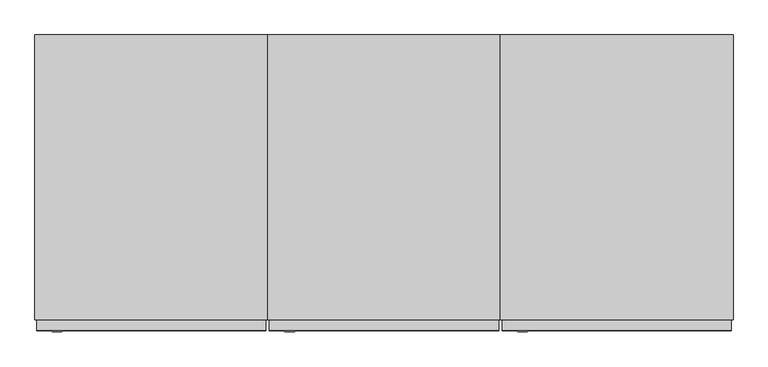
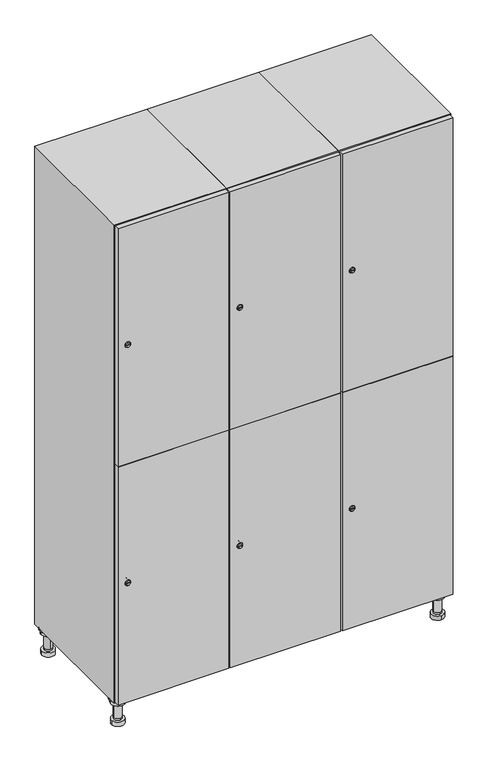
"""IFC4 building model written with IfcOpenShell, lengths in millimetres: furniture geometry."""

from ifc_helpers import new_model, si_unit, point, frame, frame_2d, origin, place, context, project, spatial, polyline, circle_curve, trimmed, segment, composite_curve, outline, extrude, faceted_brep, source, transform, mapped, element, save
from ifc_brep_helpers import plane_surface, cylinder_surface, revolved_surface, advanced_brep


def furniture_a3108553(model_context):
    return source(origin(), model_context, "Body", "SolidModel", [
        advanced_brep(
        [(970.0, -201.0, 22.0), (970.0, -201.5, 16.0), (970.0, -228.5, 16.0), (970.0, -229.0, 22.0), (956.0, -215.0, 22.0), (984.0, -215.0, 22.0), (970.0, -192.5, 16.0), (970.0, -237.5, 16.0), (970.0, -192.5, 0.0), (970.0, -237.5, 0.0), (984.0, -215.0, 78.0), (956.0, -215.0, 78.0), (995.0, -215.0, 78.0), (945.0, -215.0, 78.0), (1000.0, -215.0, 94.0), (940.0, -215.0, 94.0), (945.0, -215.0, 94.0), (995.0, -215.0, 94.0), (1000.0, -215.0, 100.0), (940.0, -215.0, 100.0)],
        [
            (0, 1),
            (1, 2, circle_curve(frame((970.0, -215.0, 16.0), z_axis=(0.0, 0.0, 1.0), x_axis=(0.0, -1.0, 0.0)), 13.5)),
            (2, 3),
            (3, 4, circle_curve(frame((970.0, -215.0, 22.0), z_axis=(0.0, 0.0, -1.0), x_axis=(0.0, -1.0, 0.0)), 14.0)),
            (4, 0, circle_curve(frame((970.0, -215.0, 22.0), z_axis=(0.0, 0.0, -1.0), x_axis=(0.0, -1.0, 0.0)), 14.0)),
            (0, 5, circle_curve(frame((970.0, -215.0, 22.0), z_axis=(0.0, 0.0, -1.0), x_axis=(0.0, 1.0, 0.0)), 14.0)),
            (5, 3, circle_curve(frame((970.0, -215.0, 22.0), z_axis=(0.0, 0.0, -1.0), x_axis=(0.0, 1.0, 0.0)), 14.0)),
            (2, 1, circle_curve(frame((970.0, -215.0, 16.0), z_axis=(0.0, 0.0, 1.0), x_axis=(0.0, 1.0, 0.0)), 13.5)),
            (6, 7, circle_curve(frame((970.0, -215.0, 16.0), z_axis=(0.0, 0.0, 1.0), x_axis=(0.0, -1.0, 0.0)), 22.5)),
            (7, 6, circle_curve(frame((970.0, -215.0, 16.0), z_axis=(0.0, 0.0, 1.0), x_axis=(0.0, -1.0, 0.0)), 22.5)),
            (8, 9, circle_curve(frame((970.0, -215.0, 0.0), z_axis=(0.0, 0.0, -1.0), x_axis=(0.0, -1.0, 0.0)), 22.5)),
            (9, 8, circle_curve(frame((970.0, -215.0, 0.0), z_axis=(0.0, 0.0, -1.0), x_axis=(0.0, -1.0, 0.0)), 22.5)),
            (6, 8),
            (9, 7),
            (5, 10),
            (10, 11, circle_curve(frame((970.0, -215.0, 78.0), z_axis=(0.0, 0.0, -1.0), x_axis=(-1.0, 0.0, 0.0)), 14.0)),
            (11, 4),
            (11, 10, circle_curve(frame((970.0, -215.0, 78.0), z_axis=(0.0, 0.0, -1.0), x_axis=(-1.0, 0.0, 0.0)), 14.0)),
            (12, 13, circle_curve(frame((970.0, -215.0, 78.0), z_axis=(0.0, 0.0, -1.0), x_axis=(-1.0, 0.0, 0.0)), 25.0)),
            (13, 12, circle_curve(frame((970.0, -215.0, 78.0), z_axis=(0.0, 0.0, -1.0), x_axis=(-1.0, 0.0, 0.0)), 25.0)),
            (14, 15, circle_curve(frame((970.0, -215.0, 94.0), z_axis=(0.0, 0.0, -1.0), x_axis=(-1.0, 0.0, 0.0)), 30.0)),
            (15, 14, circle_curve(frame((970.0, -215.0, 94.0), z_axis=(0.0, 0.0, -1.0), x_axis=(-1.0, 0.0, 0.0)), 30.0)),
            (16, 17, circle_curve(frame((970.0, -215.0, 94.0), z_axis=(0.0, 0.0, 1.0), x_axis=(-1.0, 0.0, 0.0)), 25.0)),
            (17, 16, circle_curve(frame((970.0, -215.0, 94.0), z_axis=(0.0, 0.0, 1.0), x_axis=(-1.0, 0.0, 0.0)), 25.0)),
            (18, 19, circle_curve(frame((970.0, -215.0, 100.0), z_axis=(0.0, 0.0, 1.0), x_axis=(-1.0, 0.0, 0.0)), 30.0)),
            (19, 18, circle_curve(frame((970.0, -215.0, 100.0), z_axis=(0.0, 0.0, 1.0), x_axis=(-1.0, 0.0, 0.0)), 30.0)),
            (14, 18),
            (19, 15),
            (12, 17),
            (16, 13),
        ],
        [
            revolved_surface(polyline([(970.0, -201.5, 16.0), (970.0, -201.0, 22.0)]), (970.0, -215.0, -146.0), (0.0, 0.0, 1.0)),
            plane_surface(frame((970.0, 0.0, 16.0), z_axis=(0.0, 0.0, 1.0), x_axis=(0.0, -1.0, 0.0))),
            plane_surface(frame((970.0, 0.0, 0.0), z_axis=(0.0, 0.0, -1.0), x_axis=(0.0, -1.0, 0.0))),
            cylinder_surface(frame((970.0, -215.0, 16.0), z_axis=(0.0, 0.0, 1.0), x_axis=(0.0, -1.0, 0.0)), 22.5),
            cylinder_surface(frame((970.0, -215.0, 22.0), z_axis=(0.0, 0.0, -1.0), x_axis=(-1.0, 0.0, 0.0)), 14.0),
            plane_surface(frame((970.0, 0.0, 78.0), z_axis=(0.0, 0.0, -1.0), x_axis=(0.0, -1.0, 0.0))),
            plane_surface(frame((970.0, 0.0, 94.0), z_axis=(0.0, 0.0, -1.0), x_axis=(0.0, -1.0, 0.0))),
            plane_surface(frame((970.0, 0.0, 100.0), z_axis=(0.0, 0.0, 1.0), x_axis=(0.0, -1.0, 0.0))),
            cylinder_surface(frame((970.0, -215.0, 94.0), z_axis=(0.0, 0.0, -1.0), x_axis=(-1.0, 0.0, 0.0)), 30.0),
            cylinder_surface(frame((970.0, -215.0, 78.0), z_axis=(0.0, 0.0, -1.0), x_axis=(-1.0, 0.0, 0.0)), 25.0),
        ],
        [
            (0, [[1, 2, 3, 4, 5]]),
            (0, [[-1, 6, 7, -3, 8]]),
            (1, [[9, 10], [-2, -8]]),
            (2, [[11, 12]]),
            (3, [[-9, 13, -12, 14]]),
            (3, [[-10, -14, -11, -13]]),
            (4, [[15, 16, 17, -4, -7]]),
            (4, [[-15, -6, -5, -17, 18]]),
            (5, [[19, 20], [-16, -18]]),
            (6, [[21, 22], [23, 24]]),
            (7, [[25, 26]]),
            (8, [[-21, 27, -26, 28]]),
            (8, [[-22, -28, -25, -27]]),
            (9, [[-19, 29, -23, 30]]),
            (9, [[-20, -30, -24, -29]]),
        ],
    ),
        advanced_brep(
        [(-170.0, -201.0, 22.0), (-170.0, -201.5, 16.0), (-170.0, -228.5, 16.0), (-170.0, -229.0, 22.0), (-184.0, -215.0, 22.0), (-156.0, -215.0, 22.0), (-147.5, -215.0, 0.0), (-192.5, -215.0, 0.0), (-147.5, -215.0, 16.0), (-192.5, -215.0, 16.0), (-156.0, -215.0, 78.0), (-184.0, -215.0, 78.0), (-145.0, -215.0, 78.0), (-195.0, -215.0, 78.0), (-140.0, -215.0, 94.0), (-200.0, -215.0, 94.0), (-195.0, -215.0, 94.0), (-145.0, -215.0, 94.0), (-140.0, -215.0, 100.0), (-200.0, -215.0, 100.0)],
        [
            (0, 1),
            (1, 2, circle_curve(frame((-170.0, -215.0, 16.0), z_axis=(0.0, 0.0, 1.0), x_axis=(0.0, -1.0, 0.0)), 13.5)),
            (2, 3),
            (3, 4, circle_curve(frame((-170.0, -215.0, 22.0), z_axis=(0.0, 0.0, -1.0), x_axis=(0.0, -1.0, 0.0)), 14.0)),
            (4, 0, circle_curve(frame((-170.0, -215.0, 22.0), z_axis=(0.0, 0.0, -1.0), x_axis=(0.0, -1.0, 0.0)), 14.0)),
            (0, 5, circle_curve(frame((-170.0, -215.0, 22.0), z_axis=(0.0, 0.0, -1.0), x_axis=(0.0, 1.0, 0.0)), 14.0)),
            (5, 3, circle_curve(frame((-170.0, -215.0, 22.0), z_axis=(0.0, 0.0, -1.0), x_axis=(0.0, 1.0, 0.0)), 14.0)),
            (2, 1, circle_curve(frame((-170.0, -215.0, 16.0), z_axis=(0.0, 0.0, 1.0), x_axis=(0.0, 1.0, 0.0)), 13.5)),
            (6, 7, circle_curve(frame((-170.0, -215.0, 0.0), z_axis=(0.0, 0.0, -1.0), x_axis=(-1.0, 0.0, 0.0)), 22.5)),
            (7, 6, circle_curve(frame((-170.0, -215.0, 0.0), z_axis=(0.0, 0.0, -1.0), x_axis=(-1.0, 0.0, 0.0)), 22.5)),
            (8, 9, circle_curve(frame((-170.0, -215.0, 16.0), z_axis=(0.0, 0.0, 1.0), x_axis=(-1.0, 0.0, 0.0)), 22.5)),
            (9, 8, circle_curve(frame((-170.0, -215.0, 16.0), z_axis=(0.0, 0.0, 1.0), x_axis=(-1.0, 0.0, 0.0)), 22.5)),
            (6, 8),
            (9, 7),
            (5, 10),
            (10, 11, circle_curve(frame((-170.0, -215.0, 78.0), z_axis=(0.0, 0.0, -1.0), x_axis=(-1.0, 0.0, 0.0)), 14.0)),
            (11, 4),
            (11, 10, circle_curve(frame((-170.0, -215.0, 78.0), z_axis=(0.0, 0.0, -1.0), x_axis=(-1.0, 0.0, 0.0)), 14.0)),
            (12, 13, circle_curve(frame((-170.0, -215.0, 78.0), z_axis=(0.0, 0.0, -1.0), x_axis=(-1.0, 0.0, 0.0)), 25.0)),
            (13, 12, circle_curve(frame((-170.0, -215.0, 78.0), z_axis=(0.0, 0.0, -1.0), x_axis=(-1.0, 0.0, 0.0)), 25.0)),
            (14, 15, circle_curve(frame((-170.0, -215.0, 94.0), z_axis=(0.0, 0.0, -1.0), x_axis=(-1.0, 0.0, 0.0)), 30.0)),
            (15, 14, circle_curve(frame((-170.0, -215.0, 94.0), z_axis=(0.0, 0.0, -1.0), x_axis=(-1.0, 0.0, 0.0)), 30.0)),
            (16, 17, circle_curve(frame((-170.0, -215.0, 94.0), z_axis=(0.0, 0.0, 1.0), x_axis=(-1.0, 0.0, 0.0)), 25.0)),
            (17, 16, circle_curve(frame((-170.0, -215.0, 94.0), z_axis=(0.0, 0.0, 1.0), x_axis=(-1.0, 0.0, 0.0)), 25.0)),
            (18, 19, circle_curve(frame((-170.0, -215.0, 100.0), z_axis=(0.0, 0.0, 1.0), x_axis=(-1.0, 0.0, 0.0)), 30.0)),
            (19, 18, circle_curve(frame((-170.0, -215.0, 100.0), z_axis=(0.0, 0.0, 1.0), x_axis=(-1.0, 0.0, 0.0)), 30.0)),
            (14, 18),
            (19, 15),
            (12, 17),
            (16, 13),
        ],
        [
            revolved_surface(polyline([(-170.0, -201.5, 16.0), (-170.0, -201.0, 22.0)]), (-170.0, -215.0, -146.0), (0.0, 0.0, 1.0)),
            plane_surface(frame((-170.0, 0.0, 0.0), z_axis=(0.0, 0.0, -1.0), x_axis=(0.0, -1.0, 0.0))),
            plane_surface(frame((-170.0, 0.0, 16.0), z_axis=(0.0, 0.0, 1.0), x_axis=(0.0, -1.0, 0.0))),
            cylinder_surface(frame((-170.0, -215.0, 0.0), z_axis=(0.0, 0.0, -1.0), x_axis=(-1.0, 0.0, 0.0)), 22.5),
            cylinder_surface(frame((-170.0, -215.0, 22.0), z_axis=(0.0, 0.0, -1.0), x_axis=(-1.0, 0.0, 0.0)), 14.0),
            plane_surface(frame((-170.0, 0.0, 78.0), z_axis=(0.0, 0.0, -1.0), x_axis=(0.0, -1.0, 0.0))),
            plane_surface(frame((-170.0, 0.0, 94.0), z_axis=(0.0, 0.0, -1.0), x_axis=(0.0, -1.0, 0.0))),
            plane_surface(frame((-170.0, 0.0, 100.0), z_axis=(0.0, 0.0, 1.0), x_axis=(0.0, -1.0, 0.0))),
            cylinder_surface(frame((-170.0, -215.0, 94.0), z_axis=(0.0, 0.0, -1.0), x_axis=(-1.0, 0.0, 0.0)), 30.0),
            cylinder_surface(frame((-170.0, -215.0, 78.0), z_axis=(0.0, 0.0, -1.0), x_axis=(-1.0, 0.0, 0.0)), 25.0),
        ],
        [
            (0, [[1, 2, 3, 4, 5]]),
            (0, [[-1, 6, 7, -3, 8]]),
            (1, [[9, 10]]),
            (2, [[11, 12], [-2, -8]]),
            (3, [[-9, 13, -12, 14]]),
            (3, [[-10, -14, -11, -13]]),
            (4, [[15, 16, 17, -4, -7]]),
            (4, [[-15, -6, -5, -17, 18]]),
            (5, [[19, 20], [-16, -18]]),
            (6, [[21, 22], [23, 24]]),
            (7, [[25, 26]]),
            (8, [[-21, 27, -26, 28]]),
            (8, [[-22, -28, -25, -27]]),
            (9, [[-19, 29, -23, 30]]),
            (9, [[-20, -30, -24, -29]]),
        ],
    ),
        advanced_brep(
        [(983.5, 215.0, 16.0), (984.0, 215.0, 22.0), (956.0, 215.0, 22.0), (956.5, 215.0, 16.0), (992.5, 215.0, 0.0), (947.5, 215.0, 0.0), (992.5, 215.0, 16.0), (947.5, 215.0, 16.0), (984.0, 215.0, 78.0), (956.0, 215.0, 78.0), (995.0, 215.0, 78.0), (945.0, 215.0, 78.0), (1000.0, 215.0, 94.0), (940.0, 215.0, 94.0), (945.0, 215.0, 94.0), (995.0, 215.0, 94.0), (1000.0, 215.0, 100.0), (940.0, 215.0, 100.0)],
        [
            (0, 1),
            (1, 2, circle_curve(frame((970.0, 215.0, 22.0), z_axis=(0.0, 0.0, -1.0), x_axis=(-1.0, 0.0, 0.0)), 14.0)),
            (2, 3),
            (3, 0, circle_curve(frame((970.0, 215.0, 16.0), z_axis=(0.0, 0.0, 1.0), x_axis=(-1.0, 0.0, 0.0)), 13.5)),
            (0, 3, circle_curve(frame((970.0, 215.0, 16.0), z_axis=(0.0, 0.0, 1.0), x_axis=(1.0, 0.0, 0.0)), 13.5)),
            (2, 1, circle_curve(frame((970.0, 215.0, 22.0), z_axis=(0.0, 0.0, -1.0), x_axis=(1.0, 0.0, 0.0)), 14.0)),
            (4, 5, circle_curve(frame((970.0, 215.0, 0.0), z_axis=(0.0, 0.0, -1.0), x_axis=(-1.0, 0.0, 0.0)), 22.5)),
            (5, 4, circle_curve(frame((970.0, 215.0, 0.0), z_axis=(0.0, 0.0, -1.0), x_axis=(-1.0, 0.0, 0.0)), 22.5)),
            (6, 7, circle_curve(frame((970.0, 215.0, 16.0), z_axis=(0.0, 0.0, 1.0), x_axis=(-1.0, 0.0, 0.0)), 22.5)),
            (7, 6, circle_curve(frame((970.0, 215.0, 16.0), z_axis=(0.0, 0.0, 1.0), x_axis=(-1.0, 0.0, 0.0)), 22.5)),
            (4, 6),
            (7, 5),
            (1, 8),
            (8, 9, circle_curve(frame((970.0, 215.0, 78.0), z_axis=(0.0, 0.0, -1.0), x_axis=(-1.0, 0.0, 0.0)), 14.0)),
            (9, 2),
            (9, 8, circle_curve(frame((970.0, 215.0, 78.0), z_axis=(0.0, 0.0, -1.0), x_axis=(-1.0, 0.0, 0.0)), 14.0)),
            (10, 11, circle_curve(frame((970.0, 215.0, 78.0), z_axis=(0.0, 0.0, -1.0), x_axis=(-1.0, 0.0, 0.0)), 25.0)),
            (11, 10, circle_curve(frame((970.0, 215.0, 78.0), z_axis=(0.0, 0.0, -1.0), x_axis=(-1.0, 0.0, 0.0)), 25.0)),
            (12, 13, circle_curve(frame((970.0, 215.0, 94.0), z_axis=(0.0, 0.0, -1.0), x_axis=(-1.0, 0.0, 0.0)), 30.0)),
            (13, 12, circle_curve(frame((970.0, 215.0, 94.0), z_axis=(0.0, 0.0, -1.0), x_axis=(-1.0, 0.0, 0.0)), 30.0)),
            (14, 15, circle_curve(frame((970.0, 215.0, 94.0), z_axis=(0.0, 0.0, 1.0), x_axis=(-1.0, 0.0, 0.0)), 25.0)),
            (15, 14, circle_curve(frame((970.0, 215.0, 94.0), z_axis=(0.0, 0.0, 1.0), x_axis=(-1.0, 0.0, 0.0)), 25.0)),
            (16, 17, circle_curve(frame((970.0, 215.0, 100.0), z_axis=(0.0, 0.0, 1.0), x_axis=(-1.0, 0.0, 0.0)), 30.0)),
            (17, 16, circle_curve(frame((970.0, 215.0, 100.0), z_axis=(0.0, 0.0, 1.0), x_axis=(-1.0, 0.0, 0.0)), 30.0)),
            (12, 16),
            (17, 13),
            (10, 15),
            (14, 11),
        ],
        [
            revolved_surface(polyline([(983.5, 215.0, 16.0), (984.0, 215.0, 22.0)]), (970.0, 215.0, -146.0), (0.0, 0.0, 1.0)),
            plane_surface(frame((970.0, 0.0, 0.0), z_axis=(0.0, 0.0, -1.0), x_axis=(0.0, -1.0, 0.0))),
            plane_surface(frame((970.0, 0.0, 16.0), z_axis=(0.0, 0.0, 1.0), x_axis=(0.0, -1.0, 0.0))),
            cylinder_surface(frame((970.0, 215.0, 0.0), z_axis=(0.0, 0.0, -1.0), x_axis=(-1.0, 0.0, 0.0)), 22.5),
            cylinder_surface(frame((970.0, 215.0, 22.0), z_axis=(0.0, 0.0, -1.0), x_axis=(-1.0, 0.0, 0.0)), 14.0),
            plane_surface(frame((970.0, 0.0, 78.0), z_axis=(0.0, 0.0, -1.0), x_axis=(0.0, -1.0, 0.0))),
            plane_surface(frame((970.0, 0.0, 94.0), z_axis=(0.0, 0.0, -1.0), x_axis=(0.0, -1.0, 0.0))),
            plane_surface(frame((970.0, 0.0, 100.0), z_axis=(0.0, 0.0, 1.0), x_axis=(0.0, -1.0, 0.0))),
            cylinder_surface(frame((970.0, 215.0, 94.0), z_axis=(0.0, 0.0, -1.0), x_axis=(-1.0, 0.0, 0.0)), 30.0),
            cylinder_surface(frame((970.0, 215.0, 78.0), z_axis=(0.0, 0.0, -1.0), x_axis=(-1.0, 0.0, 0.0)), 25.0),
        ],
        [
            (0, [[1, 2, 3, 4]]),
            (0, [[-1, 5, -3, 6]]),
            (1, [[7, 8]]),
            (2, [[9, 10], [-4, -5]]),
            (3, [[-7, 11, -10, 12]]),
            (3, [[-8, -12, -9, -11]]),
            (4, [[13, 14, 15, -2]]),
            (4, [[-13, -6, -15, 16]]),
            (5, [[17, 18], [-14, -16]]),
            (6, [[19, 20], [21, 22]]),
            (7, [[23, 24]]),
            (8, [[-19, 25, -24, 26]]),
            (8, [[-20, -26, -23, -25]]),
            (9, [[-17, 27, -21, 28]]),
            (9, [[-18, -28, -22, -27]]),
        ],
    ),
        advanced_brep(
        [(-156.5, 215.0, 16.0), (-156.0, 215.0, 22.0), (-170.0, 201.0, 22.0), (-184.0, 215.0, 22.0), (-183.5, 215.0, 16.0), (-170.0, 229.0, 22.0), (-147.5, 215.0, 0.0), (-192.5, 215.0, 0.0), (-147.5, 215.0, 16.0), (-192.5, 215.0, 16.0), (-170.0, 229.0, 78.0), (-170.0, 201.0, 78.0), (-145.0, 215.0, 78.0), (-195.0, 215.0, 78.0), (-140.0, 215.0, 94.0), (-200.0, 215.0, 94.0), (-195.0, 215.0, 94.0), (-145.0, 215.0, 94.0), (-140.0, 215.0, 100.0), (-200.0, 215.0, 100.0)],
        [
            (0, 1),
            (1, 2, circle_curve(frame((-170.0, 215.0, 22.0), z_axis=(0.0, 0.0, -1.0), x_axis=(-1.0, 0.0, 0.0)), 14.0)),
            (2, 3, circle_curve(frame((-170.0, 215.0, 22.0), z_axis=(0.0, 0.0, -1.0), x_axis=(-1.0, 0.0, 0.0)), 14.0)),
            (3, 4),
            (4, 0, circle_curve(frame((-170.0, 215.0, 16.0), z_axis=(0.0, 0.0, 1.0), x_axis=(-1.0, 0.0, 0.0)), 13.5)),
            (0, 4, circle_curve(frame((-170.0, 215.0, 16.0), z_axis=(0.0, 0.0, 1.0), x_axis=(1.0, 0.0, 0.0)), 13.5)),
            (3, 5, circle_curve(frame((-170.0, 215.0, 22.0), z_axis=(0.0, 0.0, -1.0), x_axis=(1.0, 0.0, 0.0)), 14.0)),
            (5, 1, circle_curve(frame((-170.0, 215.0, 22.0), z_axis=(0.0, 0.0, -1.0), x_axis=(1.0, 0.0, 0.0)), 14.0)),
            (6, 7, circle_curve(frame((-170.0, 215.0, 0.0), z_axis=(0.0, 0.0, -1.0), x_axis=(-1.0, 0.0, 0.0)), 22.5)),
            (7, 6, circle_curve(frame((-170.0, 215.0, 0.0), z_axis=(0.0, 0.0, -1.0), x_axis=(-1.0, 0.0, 0.0)), 22.5)),
            (8, 9, circle_curve(frame((-170.0, 215.0, 16.0), z_axis=(0.0, 0.0, 1.0), x_axis=(-1.0, 0.0, 0.0)), 22.5)),
            (9, 8, circle_curve(frame((-170.0, 215.0, 16.0), z_axis=(0.0, 0.0, 1.0), x_axis=(-1.0, 0.0, 0.0)), 22.5)),
            (6, 8),
            (9, 7),
            (10, 5),
            (2, 11),
            (11, 10, circle_curve(frame((-170.0, 215.0, 78.0), z_axis=(0.0, 0.0, -1.0), x_axis=(0.0, -1.0, 0.0)), 14.0)),
            (10, 11, circle_curve(frame((-170.0, 215.0, 78.0), z_axis=(0.0, 0.0, -1.0), x_axis=(0.0, -1.0, 0.0)), 14.0)),
            (12, 13, circle_curve(frame((-170.0, 215.0, 78.0), z_axis=(0.0, 0.0, -1.0), x_axis=(-1.0, 0.0, 0.0)), 25.0)),
            (13, 12, circle_curve(frame((-170.0, 215.0, 78.0), z_axis=(0.0, 0.0, -1.0), x_axis=(-1.0, 0.0, 0.0)), 25.0)),
            (14, 15, circle_curve(frame((-170.0, 215.0, 94.0), z_axis=(0.0, 0.0, -1.0), x_axis=(-1.0, 0.0, 0.0)), 30.0)),
            (15, 14, circle_curve(frame((-170.0, 215.0, 94.0), z_axis=(0.0, 0.0, -1.0), x_axis=(-1.0, 0.0, 0.0)), 30.0)),
            (16, 17, circle_curve(frame((-170.0, 215.0, 94.0), z_axis=(0.0, 0.0, 1.0), x_axis=(-1.0, 0.0, 0.0)), 25.0)),
            (17, 16, circle_curve(frame((-170.0, 215.0, 94.0), z_axis=(0.0, 0.0, 1.0), x_axis=(-1.0, 0.0, 0.0)), 25.0)),
            (18, 19, circle_curve(frame((-170.0, 215.0, 100.0), z_axis=(0.0, 0.0, 1.0), x_axis=(-1.0, 0.0, 0.0)), 30.0)),
            (19, 18, circle_curve(frame((-170.0, 215.0, 100.0), z_axis=(0.0, 0.0, 1.0), x_axis=(-1.0, 0.0, 0.0)), 30.0)),
            (14, 18),
            (19, 15),
            (12, 17),
            (16, 13),
        ],
        [
            revolved_surface(polyline([(-156.5, 215.0, 16.0), (-156.0, 215.0, 22.0)]), (-170.0, 215.0, -146.0), (0.0, 0.0, 1.0)),
            plane_surface(frame((-170.0, 0.0, 0.0), z_axis=(0.0, 0.0, -1.0), x_axis=(0.0, -1.0, 0.0))),
            plane_surface(frame((-170.0, 0.0, 16.0), z_axis=(0.0, 0.0, 1.0), x_axis=(0.0, -1.0, 0.0))),
            cylinder_surface(frame((-170.0, 215.0, 0.0), z_axis=(0.0, 0.0, -1.0), x_axis=(-1.0, 0.0, 0.0)), 22.5),
            cylinder_surface(frame((-170.0, 215.0, 78.0), z_axis=(0.0, 0.0, 1.0), x_axis=(0.0, -1.0, 0.0)), 14.0),
            plane_surface(frame((-170.0, 0.0, 78.0), z_axis=(0.0, 0.0, -1.0), x_axis=(0.0, -1.0, 0.0))),
            plane_surface(frame((-170.0, 0.0, 94.0), z_axis=(0.0, 0.0, -1.0), x_axis=(0.0, -1.0, 0.0))),
            plane_surface(frame((-170.0, 0.0, 100.0), z_axis=(0.0, 0.0, 1.0), x_axis=(0.0, -1.0, 0.0))),
            cylinder_surface(frame((-170.0, 215.0, 94.0), z_axis=(0.0, 0.0, -1.0), x_axis=(-1.0, 0.0, 0.0)), 30.0),
            cylinder_surface(frame((-170.0, 215.0, 78.0), z_axis=(0.0, 0.0, -1.0), x_axis=(-1.0, 0.0, 0.0)), 25.0),
        ],
        [
            (0, [[1, 2, 3, 4, 5]]),
            (0, [[-1, 6, -4, 7, 8]]),
            (1, [[9, 10]]),
            (2, [[11, 12], [-5, -6]]),
            (3, [[-9, 13, -12, 14]]),
            (3, [[-10, -14, -11, -13]]),
            (4, [[15, -7, -3, 16, 17]]),
            (4, [[-15, 18, -16, -2, -8]]),
            (5, [[19, 20], [-17, -18]]),
            (6, [[21, 22], [23, 24]]),
            (7, [[25, 26]]),
            (8, [[-21, 27, -26, 28]]),
            (8, [[-22, -28, -25, -27]]),
            (9, [[-19, 29, -23, 30]]),
            (9, [[-20, -30, -24, -29]]),
        ],
    ),
        extrude(outline(composite_curve([segment(trimmed(circle_curve(frame_2d((551.5, 611.2010534)), 7.0), [point((558.5, 611.2010534))], [point((544.5, 611.2010534))], False, "CARTESIAN"), True, "CONTINUOUS"), segment(polyline([(544.5, 611.2010534), (544.5, 639.2010534)]), True, "CONTINUOUS"), segment(trimmed(circle_curve(frame_2d((551.5, 639.2010534)), 7.0), [point((544.5, 639.2010534))], [point((558.5, 639.2010534))], False, "CARTESIAN"), True, "CONTINUOUS"), segment(polyline([(558.5, 639.2010534), (558.5, 611.2010534)]), True, "CONTINUOUS")], self_intersect=False)), frame((0.0, -245.0, 0.0), z_axis=(0.0, 1.0, 0.0), x_axis=(0.0, 0.0, 1.0)), (0.0, 0.0, 1.0), 2.0),
        advanced_brep(
        [(646.5, -265.2, 551.5), (629.5, -265.2, 551.5), (633.0, -265.2, 550.25), (633.0, -265.2, 552.75), (643.0, -265.2, 552.75), (643.0, -265.2, 550.25), (648.5, -263.0, 551.5), (627.5, -263.0, 551.5), (633.0, -263.0, 552.75), (633.0, -263.0, 550.25), (643.0, -263.0, 550.25), (643.0, -263.0, 552.75)],
        [
            (0, 1, circle_curve(frame((638.0, -265.2, 551.5), z_axis=(0.0, -1.0, 0.0), x_axis=(1.0, 0.0, 0.0)), 8.5)),
            (1, 0, circle_curve(frame((638.0, -265.2, 551.5), z_axis=(0.0, -1.0, 0.0), x_axis=(-1.0, 0.0, 0.0)), 8.5)),
            (2, 3),
            (3, 4),
            (4, 5),
            (5, 2),
            (6, 7, circle_curve(frame((638.0, -263.0, 551.5), z_axis=(0.0, 1.0, 0.0), x_axis=(-1.0, 0.0, 0.0)), 10.5)),
            (7, 6, circle_curve(frame((638.0, -263.0, 551.5), z_axis=(0.0, 1.0, 0.0), x_axis=(1.0, 0.0, 0.0)), 10.5)),
            (8, 9),
            (9, 10),
            (10, 11),
            (11, 8),
            (0, 6),
            (7, 1),
            (8, 3),
            (2, 9),
            (11, 4),
            (10, 5),
        ],
        [
            plane_surface(frame((638.0, -265.2, 551.5), z_axis=(0.0, -1.0, 0.0), x_axis=(0.0, 0.0, 1.0))),
            plane_surface(frame((638.0, -263.0, 551.5), z_axis=(0.0, 1.0, 0.0), x_axis=(0.0, 0.0, 1.0))),
            revolved_surface(polyline([(646.5, -265.2, 551.5), (648.5, -263.0, 551.5)]), (638.0, -274.55, 551.5), (0.0, 1.0, 0.0)),
            revolved_surface(polyline([(629.5, -265.2, 551.5), (627.5, -263.0, 551.5)]), (638.0, -274.55, 551.5), (0.0, 1.0, 0.0)),
            plane_surface(frame((633.0, -263.0, 550.25), z_axis=(1.0, 0.0, 0.0), x_axis=(0.0, -1.0, 0.0))),
            plane_surface(frame((633.0, -263.0, 552.75), z_axis=(0.0, 0.0, -1.0), x_axis=(0.0, -1.0, 0.0))),
            plane_surface(frame((643.0, -263.0, 552.75), z_axis=(-1.0, 0.0, 0.0), x_axis=(0.0, -1.0, 0.0))),
            plane_surface(frame((643.0, -263.0, 550.25), z_axis=(0.0, 0.0, 1.0), x_axis=(0.0, -1.0, 0.0))),
        ],
        [
            (0, [[1, 2], [3, 4, 5, 6]]),
            (1, [[7, 8], [9, 10, 11, 12]]),
            (2, [[-1, 13, -8, 14]]),
            (3, [[-2, -14, -7, -13]]),
            (4, [[15, -3, 16, -9]]),
            (5, [[-15, -12, 17, -4]]),
            (6, [[-17, -11, 18, -5]]),
            (7, [[-16, -6, -18, -10]]),
        ],
    ),
        extrude(outline(composite_curve([segment(trimmed(circle_curve(frame_2d((1448.5, 611.2010534)), 7.0), [point((1455.5, 611.2010534))], [point((1441.5, 611.2010534))], False, "CARTESIAN"), True, "CONTINUOUS"), segment(polyline([(1441.5, 611.2010534), (1441.5, 639.2010534)]), True, "CONTINUOUS"), segment(trimmed(circle_curve(frame_2d((1448.5, 639.2010534)), 7.0), [point((1441.5, 639.2010534))], [point((1455.5, 639.2010534))], False, "CARTESIAN"), True, "CONTINUOUS"), segment(polyline([(1455.5, 639.2010534), (1455.5, 611.2010534)]), True, "CONTINUOUS")], self_intersect=False)), frame((0.0, -245.0, 0.0), z_axis=(0.0, 1.0, 0.0), x_axis=(0.0, 0.0, 1.0)), (0.0, 0.0, 1.0), 2.0),
        advanced_brep(
        [(646.5, -265.2, 1448.5), (629.5, -265.2, 1448.5), (633.0, -265.2, 1447.25), (633.0, -265.2, 1449.75), (643.0, -265.2, 1449.75), (643.0, -265.2, 1447.25), (648.5, -263.0, 1448.5), (627.5, -263.0, 1448.5), (633.0, -263.0, 1449.75), (633.0, -263.0, 1447.25), (643.0, -263.0, 1447.25), (643.0, -263.0, 1449.75)],
        [
            (0, 1, circle_curve(frame((638.0, -265.2, 1448.5), z_axis=(0.0, -1.0, 0.0), x_axis=(1.0, 0.0, 0.0)), 8.5)),
            (1, 0, circle_curve(frame((638.0, -265.2, 1448.5), z_axis=(0.0, -1.0, 0.0), x_axis=(-1.0, 0.0, 0.0)), 8.5)),
            (2, 3),
            (3, 4),
            (4, 5),
            (5, 2),
            (6, 7, circle_curve(frame((638.0, -263.0, 1448.5), z_axis=(0.0, 1.0, 0.0), x_axis=(-1.0, 0.0, 0.0)), 10.5)),
            (7, 6, circle_curve(frame((638.0, -263.0, 1448.5), z_axis=(0.0, 1.0, 0.0), x_axis=(1.0, 0.0, 0.0)), 10.5)),
            (8, 9),
            (9, 10),
            (10, 11),
            (11, 8),
            (0, 6),
            (7, 1),
            (8, 3),
            (2, 9),
            (11, 4),
            (10, 5),
        ],
        [
            plane_surface(frame((638.0, -265.2, 1448.5), z_axis=(0.0, -1.0, 0.0), x_axis=(0.0, 0.0, 1.0))),
            plane_surface(frame((638.0, -263.0, 1448.5), z_axis=(0.0, 1.0, 0.0), x_axis=(0.0, 0.0, 1.0))),
            revolved_surface(polyline([(646.5, -265.2, 1448.5), (648.5, -263.0, 1448.5)]), (638.0, -274.55, 1448.5), (0.0, 1.0, 0.0)),
            revolved_surface(polyline([(629.5, -265.2, 1448.5), (627.5, -263.0, 1448.5)]), (638.0, -274.55, 1448.5), (0.0, 1.0, 0.0)),
            plane_surface(frame((633.0, -263.0, 1447.25), z_axis=(1.0, 0.0, 0.0), x_axis=(0.0, -1.0, 0.0))),
            plane_surface(frame((633.0, -263.0, 1449.75), z_axis=(0.0, 0.0, -1.0), x_axis=(0.0, -1.0, 0.0))),
            plane_surface(frame((643.0, -263.0, 1449.75), z_axis=(-1.0, 0.0, 0.0), x_axis=(0.0, -1.0, 0.0))),
            plane_surface(frame((643.0, -263.0, 1447.25), z_axis=(0.0, 0.0, 1.0), x_axis=(0.0, -1.0, 0.0))),
        ],
        [
            (0, [[1, 2], [3, 4, 5, 6]]),
            (1, [[7, 8], [9, 10, 11, 12]]),
            (2, [[-1, 13, -8, 14]]),
            (3, [[-2, -14, -7, -13]]),
            (4, [[15, -3, 16, -9]]),
            (5, [[-15, -12, 17, -4]]),
            (6, [[-17, -11, 18, -5]]),
            (7, [[-16, -6, -18, -10]]),
        ],
    ),
        extrude(outline(polyline([(603.0, -263.0), (603.0, -245.0), (997.0, -245.0), (997.0, -263.0), (603.0, -263.0)])), frame((0.0, 0.0, 103.0), z_axis=(0.0, 0.0, 1.0), x_axis=(1.0, 0.0, 0.0)), (0.0, 0.0, 1.0), 896.5),
        extrude(outline(polyline([(997.0, -245.0), (997.0, -263.0), (603.0, -263.0), (603.0, -245.0), (997.0, -245.0)])), frame((0.0, 0.0, 1000.5), z_axis=(0.0, 0.0, 1.0), x_axis=(1.0, 0.0, 0.0)), (0.0, 0.0, 1.0), 896.5),
        extrude(outline(polyline([(982.0, 227.0), (982.0, -227.0), (618.0, -227.0), (618.0, 227.0), (982.0, 227.0)])), frame((0.0, 0.0, 991.0), z_axis=(0.0, 0.0, 1.0), x_axis=(1.0, 0.0, 0.0)), (0.0, 0.0, 1.0), 18.0),
        faceted_brep([(1000.0, -245.0, 100.0), (1000.0, -245.0, 1900.0), (600.0, -245.0, 1900.0), (600.0, -245.0, 100.0), (982.0, -245.0, 1882.0), (982.0, -245.0, 118.0), (618.0, -245.0, 118.0), (618.0, -245.0, 1882.0), (1000.0, 245.0, 100.0), (600.0, 245.0, 100.0), (1000.0, 245.0, 1900.0), (600.0, 245.0, 1900.0), (982.0, 227.0, 1882.0), (982.0, 227.0, 118.0), (600.0, 245.0, 1882.0), (618.0, 227.0, 1882.0), (618.0, 227.0, 118.0)], [[[0, 1, 2, 3], [4, 5, 6, 7]], [[8, 0, 3, 9]], [[1, 0, 8, 10]], [[1, 10, 11, 2]], [[4, 12, 13, 5]], [[9, 3, 2, 11, 14]], [[10, 8, 9, 14, 11]], [[12, 15, 16, 13]], [[15, 7, 6, 16]], [[4, 7, 15, 12]], [[6, 5, 13, 16]]]),
        extrude(outline(composite_curve([segment(trimmed(circle_curve(frame_2d((551.5, 211.2010534)), 7.0), [point((558.5, 211.2010534))], [point((544.5, 211.2010534))], False, "CARTESIAN"), True, "CONTINUOUS"), segment(polyline([(544.5, 211.2010534), (544.5, 239.2010534)]), True, "CONTINUOUS"), segment(trimmed(circle_curve(frame_2d((551.5, 239.2010534)), 7.0), [point((544.5, 239.2010534))], [point((558.5, 239.2010534))], False, "CARTESIAN"), True, "CONTINUOUS"), segment(polyline([(558.5, 239.2010534), (558.5, 211.2010534)]), True, "CONTINUOUS")], self_intersect=False)), frame((0.0, -245.0, 0.0), z_axis=(0.0, 1.0, 0.0), x_axis=(0.0, 0.0, 1.0)), (0.0, 0.0, 1.0), 2.0),
        advanced_brep(
        [(246.5, -265.2, 551.5), (229.5, -265.2, 551.5), (233.0, -265.2, 550.25), (233.0, -265.2, 552.75), (243.0, -265.2, 552.75), (243.0, -265.2, 550.25), (248.5, -263.0, 551.5), (227.5, -263.0, 551.5), (233.0, -263.0, 552.75), (233.0, -263.0, 550.25), (243.0, -263.0, 550.25), (243.0, -263.0, 552.75)],
        [
            (0, 1, circle_curve(frame((238.0, -265.2, 551.5), z_axis=(0.0, -1.0, 0.0), x_axis=(1.0, 0.0, 0.0)), 8.5)),
            (1, 0, circle_curve(frame((238.0, -265.2, 551.5), z_axis=(0.0, -1.0, 0.0), x_axis=(-1.0, 0.0, 0.0)), 8.5)),
            (2, 3),
            (3, 4),
            (4, 5),
            (5, 2),
            (6, 7, circle_curve(frame((238.0, -263.0, 551.5), z_axis=(0.0, 1.0, 0.0), x_axis=(-1.0, 0.0, 0.0)), 10.5)),
            (7, 6, circle_curve(frame((238.0, -263.0, 551.5), z_axis=(0.0, 1.0, 0.0), x_axis=(1.0, 0.0, 0.0)), 10.5)),
            (8, 9),
            (9, 10),
            (10, 11),
            (11, 8),
            (0, 6),
            (7, 1),
            (8, 3),
            (2, 9),
            (11, 4),
            (10, 5),
        ],
        [
            plane_surface(frame((238.0, -265.2, 551.5), z_axis=(0.0, -1.0, 0.0), x_axis=(0.0, 0.0, 1.0))),
            plane_surface(frame((238.0, -263.0, 551.5), z_axis=(0.0, 1.0, 0.0), x_axis=(0.0, 0.0, 1.0))),
            revolved_surface(polyline([(246.5, -265.2, 551.5), (248.5, -263.0, 551.5)]), (238.0, -274.55, 551.5), (0.0, 1.0, 0.0)),
            revolved_surface(polyline([(229.5, -265.2, 551.5), (227.5, -263.0, 551.5)]), (238.0, -274.55, 551.5), (0.0, 1.0, 0.0)),
            plane_surface(frame((233.0, -263.0, 550.25), z_axis=(1.0, 0.0, 0.0), x_axis=(0.0, -1.0, 0.0))),
            plane_surface(frame((233.0, -263.0, 552.75), z_axis=(0.0, 0.0, -1.0), x_axis=(0.0, -1.0, 0.0))),
            plane_surface(frame((243.0, -263.0, 552.75), z_axis=(-1.0, 0.0, 0.0), x_axis=(0.0, -1.0, 0.0))),
            plane_surface(frame((243.0, -263.0, 550.25), z_axis=(0.0, 0.0, 1.0), x_axis=(0.0, -1.0, 0.0))),
        ],
        [
            (0, [[1, 2], [3, 4, 5, 6]]),
            (1, [[7, 8], [9, 10, 11, 12]]),
            (2, [[-1, 13, -8, 14]]),
            (3, [[-2, -14, -7, -13]]),
            (4, [[15, -3, 16, -9]]),
            (5, [[-15, -12, 17, -4]]),
            (6, [[-17, -11, 18, -5]]),
            (7, [[-16, -6, -18, -10]]),
        ],
    ),
        extrude(outline(composite_curve([segment(trimmed(circle_curve(frame_2d((1448.5, 211.2010534)), 7.0), [point((1455.5, 211.2010534))], [point((1441.5, 211.2010534))], False, "CARTESIAN"), True, "CONTINUOUS"), segment(polyline([(1441.5, 211.2010534), (1441.5, 239.2010534)]), True, "CONTINUOUS"), segment(trimmed(circle_curve(frame_2d((1448.5, 239.2010534)), 7.0), [point((1441.5, 239.2010534))], [point((1455.5, 239.2010534))], False, "CARTESIAN"), True, "CONTINUOUS"), segment(polyline([(1455.5, 239.2010534), (1455.5, 211.2010534)]), True, "CONTINUOUS")], self_intersect=False)), frame((0.0, -245.0, 0.0), z_axis=(0.0, 1.0, 0.0), x_axis=(0.0, 0.0, 1.0)), (0.0, 0.0, 1.0), 2.0),
        advanced_brep(
        [(246.5, -265.2, 1448.5), (229.5, -265.2, 1448.5), (233.0, -265.2, 1447.25), (233.0, -265.2, 1449.75), (243.0, -265.2, 1449.75), (243.0, -265.2, 1447.25), (248.5, -263.0, 1448.5), (227.5, -263.0, 1448.5), (233.0, -263.0, 1449.75), (233.0, -263.0, 1447.25), (243.0, -263.0, 1447.25), (243.0, -263.0, 1449.75)],
        [
            (0, 1, circle_curve(frame((238.0, -265.2, 1448.5), z_axis=(0.0, -1.0, 0.0), x_axis=(1.0, 0.0, 0.0)), 8.5)),
            (1, 0, circle_curve(frame((238.0, -265.2, 1448.5), z_axis=(0.0, -1.0, 0.0), x_axis=(-1.0, 0.0, 0.0)), 8.5)),
            (2, 3),
            (3, 4),
            (4, 5),
            (5, 2),
            (6, 7, circle_curve(frame((238.0, -263.0, 1448.5), z_axis=(0.0, 1.0, 0.0), x_axis=(-1.0, 0.0, 0.0)), 10.5)),
            (7, 6, circle_curve(frame((238.0, -263.0, 1448.5), z_axis=(0.0, 1.0, 0.0), x_axis=(1.0, 0.0, 0.0)), 10.5)),
            (8, 9),
            (9, 10),
            (10, 11),
            (11, 8),
            (0, 6),
            (7, 1),
            (8, 3),
            (2, 9),
            (11, 4),
            (10, 5),
        ],
        [
            plane_surface(frame((238.0, -265.2, 1448.5), z_axis=(0.0, -1.0, 0.0), x_axis=(0.0, 0.0, 1.0))),
            plane_surface(frame((238.0, -263.0, 1448.5), z_axis=(0.0, 1.0, 0.0), x_axis=(0.0, 0.0, 1.0))),
            revolved_surface(polyline([(246.5, -265.2, 1448.5), (248.5, -263.0, 1448.5)]), (238.0, -274.55, 1448.5), (0.0, 1.0, 0.0)),
            revolved_surface(polyline([(229.5, -265.2, 1448.5), (227.5, -263.0, 1448.5)]), (238.0, -274.55, 1448.5), (0.0, 1.0, 0.0)),
            plane_surface(frame((233.0, -263.0, 1447.25), z_axis=(1.0, 0.0, 0.0), x_axis=(0.0, -1.0, 0.0))),
            plane_surface(frame((233.0, -263.0, 1449.75), z_axis=(0.0, 0.0, -1.0), x_axis=(0.0, -1.0, 0.0))),
            plane_surface(frame((243.0, -263.0, 1449.75), z_axis=(-1.0, 0.0, 0.0), x_axis=(0.0, -1.0, 0.0))),
            plane_surface(frame((243.0, -263.0, 1447.25), z_axis=(0.0, 0.0, 1.0), x_axis=(0.0, -1.0, 0.0))),
        ],
        [
            (0, [[1, 2], [3, 4, 5, 6]]),
            (1, [[7, 8], [9, 10, 11, 12]]),
            (2, [[-1, 13, -8, 14]]),
            (3, [[-2, -14, -7, -13]]),
            (4, [[15, -3, 16, -9]]),
            (5, [[-15, -12, 17, -4]]),
            (6, [[-17, -11, 18, -5]]),
            (7, [[-16, -6, -18, -10]]),
        ],
    ),
        extrude(outline(polyline([(203.0, -263.0), (203.0, -245.0), (597.0, -245.0), (597.0, -263.0), (203.0, -263.0)])), frame((0.0, 0.0, 103.0), z_axis=(0.0, 0.0, 1.0), x_axis=(1.0, 0.0, 0.0)), (0.0, 0.0, 1.0), 896.5),
        extrude(outline(polyline([(597.0, -245.0), (597.0, -263.0), (203.0, -263.0), (203.0, -245.0), (597.0, -245.0)])), frame((0.0, 0.0, 1000.5), z_axis=(0.0, 0.0, 1.0), x_axis=(1.0, 0.0, 0.0)), (0.0, 0.0, 1.0), 896.5),
        extrude(outline(polyline([(582.0, 227.0), (582.0, -227.0), (218.0, -227.0), (218.0, 227.0), (582.0, 227.0)])), frame((0.0, 0.0, 991.0), z_axis=(0.0, 0.0, 1.0), x_axis=(1.0, 0.0, 0.0)), (0.0, 0.0, 1.0), 18.0),
        faceted_brep([(600.0, -245.0, 100.0), (600.0, -245.0, 1900.0), (200.0, -245.0, 1900.0), (200.0, -245.0, 100.0), (582.0, -245.0, 1882.0), (582.0, -245.0, 118.0), (218.0, -245.0, 118.0), (218.0, -245.0, 1882.0), (600.0, 245.0, 100.0), (200.0, 245.0, 100.0), (600.0, 245.0, 1900.0), (200.0, 245.0, 1900.0), (582.0, 227.0, 1882.0), (582.0, 227.0, 118.0), (200.0, 245.0, 1882.0), (218.0, 227.0, 1882.0), (218.0, 227.0, 118.0)], [[[0, 1, 2, 3], [4, 5, 6, 7]], [[8, 0, 3, 9]], [[1, 0, 8, 10]], [[1, 10, 11, 2]], [[4, 12, 13, 5]], [[9, 3, 2, 11, 14]], [[10, 8, 9, 14, 11]], [[12, 15, 16, 13]], [[15, 7, 6, 16]], [[4, 7, 15, 12]], [[6, 5, 13, 16]]]),
        extrude(outline(composite_curve([segment(trimmed(circle_curve(frame_2d((551.5, -188.7989466)), 7.0), [point((558.5, -188.7989466))], [point((544.5, -188.7989466))], False, "CARTESIAN"), True, "CONTINUOUS"), segment(polyline([(544.5, -188.7989466), (544.5, -160.7989466)]), True, "CONTINUOUS"), segment(trimmed(circle_curve(frame_2d((551.5, -160.7989466)), 7.0), [point((544.5, -160.7989466))], [point((558.5, -160.7989466))], False, "CARTESIAN"), True, "CONTINUOUS"), segment(polyline([(558.5, -160.7989466), (558.5, -188.7989466)]), True, "CONTINUOUS")], self_intersect=False)), frame((0.0, -245.0, 0.0), z_axis=(0.0, 1.0, 0.0), x_axis=(0.0, 0.0, 1.0)), (0.0, 0.0, 1.0), 2.0),
        advanced_brep(
        [(-153.5, -265.2, 551.5), (-170.5, -265.2, 551.5), (-167.0, -265.2, 550.25), (-167.0, -265.2, 552.75), (-157.0, -265.2, 552.75), (-157.0, -265.2, 550.25), (-151.5, -263.0, 551.5), (-172.5, -263.0, 551.5), (-167.0, -263.0, 552.75), (-167.0, -263.0, 550.25), (-157.0, -263.0, 550.25), (-157.0, -263.0, 552.75)],
        [
            (0, 1, circle_curve(frame((-162.0, -265.2, 551.5), z_axis=(0.0, -1.0, 0.0), x_axis=(1.0, 0.0, 0.0)), 8.5)),
            (1, 0, circle_curve(frame((-162.0, -265.2, 551.5), z_axis=(0.0, -1.0, 0.0), x_axis=(-1.0, 0.0, 0.0)), 8.5)),
            (2, 3),
            (3, 4),
            (4, 5),
            (5, 2),
            (6, 7, circle_curve(frame((-162.0, -263.0, 551.5), z_axis=(0.0, 1.0, 0.0), x_axis=(-1.0, 0.0, 0.0)), 10.5)),
            (7, 6, circle_curve(frame((-162.0, -263.0, 551.5), z_axis=(0.0, 1.0, 0.0), x_axis=(1.0, 0.0, 0.0)), 10.5)),
            (8, 9),
            (9, 10),
            (10, 11),
            (11, 8),
            (0, 6),
            (7, 1),
            (8, 3),
            (2, 9),
            (11, 4),
            (10, 5),
        ],
        [
            plane_surface(frame((-162.0, -265.2, 551.5), z_axis=(0.0, -1.0, 0.0), x_axis=(0.0, 0.0, 1.0))),
            plane_surface(frame((-162.0, -263.0, 551.5), z_axis=(0.0, 1.0, 0.0), x_axis=(0.0, 0.0, 1.0))),
            revolved_surface(polyline([(-153.5, -265.2, 551.5), (-151.5, -263.0, 551.5)]), (-162.0, -274.55, 551.5), (0.0, 1.0, 0.0)),
            revolved_surface(polyline([(-170.5, -265.2, 551.5), (-172.5, -263.0, 551.5)]), (-162.0, -274.55, 551.5), (0.0, 1.0, 0.0)),
            plane_surface(frame((-167.0, -263.0, 550.25), z_axis=(1.0, 0.0, 0.0), x_axis=(0.0, -1.0, 0.0))),
            plane_surface(frame((-167.0, -263.0, 552.75), z_axis=(0.0, 0.0, -1.0), x_axis=(0.0, -1.0, 0.0))),
            plane_surface(frame((-157.0, -263.0, 552.75), z_axis=(-1.0, 0.0, 0.0), x_axis=(0.0, -1.0, 0.0))),
            plane_surface(frame((-157.0, -263.0, 550.25), z_axis=(0.0, 0.0, 1.0), x_axis=(0.0, -1.0, 0.0))),
        ],
        [
            (0, [[1, 2], [3, 4, 5, 6]]),
            (1, [[7, 8], [9, 10, 11, 12]]),
            (2, [[-1, 13, -8, 14]]),
            (3, [[-2, -14, -7, -13]]),
            (4, [[15, -3, 16, -9]]),
            (5, [[-15, -12, 17, -4]]),
            (6, [[-17, -11, 18, -5]]),
            (7, [[-16, -6, -18, -10]]),
        ],
    ),
        extrude(outline(composite_curve([segment(trimmed(circle_curve(frame_2d((1448.5, -188.7989466)), 7.0), [point((1455.5, -188.7989466))], [point((1441.5, -188.7989466))], False, "CARTESIAN"), True, "CONTINUOUS"), segment(polyline([(1441.5, -188.7989466), (1441.5, -160.7989466)]), True, "CONTINUOUS"), segment(trimmed(circle_curve(frame_2d((1448.5, -160.7989466)), 7.0), [point((1441.5, -160.7989466))], [point((1455.5, -160.7989466))], False, "CARTESIAN"), True, "CONTINUOUS"), segment(polyline([(1455.5, -160.7989466), (1455.5, -188.7989466)]), True, "CONTINUOUS")], self_intersect=False)), frame((0.0, -245.0, 0.0), z_axis=(0.0, 1.0, 0.0), x_axis=(0.0, 0.0, 1.0)), (0.0, 0.0, 1.0), 2.0),
        advanced_brep(
        [(-153.5, -265.2, 1448.5), (-170.5, -265.2, 1448.5), (-167.0, -265.2, 1447.25), (-167.0, -265.2, 1449.75), (-157.0, -265.2, 1449.75), (-157.0, -265.2, 1447.25), (-151.5, -263.0, 1448.5), (-172.5, -263.0, 1448.5), (-167.0, -263.0, 1449.75), (-167.0, -263.0, 1447.25), (-157.0, -263.0, 1447.25), (-157.0, -263.0, 1449.75)],
        [
            (0, 1, circle_curve(frame((-162.0, -265.2, 1448.5), z_axis=(0.0, -1.0, 0.0), x_axis=(1.0, 0.0, 0.0)), 8.5)),
            (1, 0, circle_curve(frame((-162.0, -265.2, 1448.5), z_axis=(0.0, -1.0, 0.0), x_axis=(-1.0, 0.0, 0.0)), 8.5)),
            (2, 3),
            (3, 4),
            (4, 5),
            (5, 2),
            (6, 7, circle_curve(frame((-162.0, -263.0, 1448.5), z_axis=(0.0, 1.0, 0.0), x_axis=(-1.0, 0.0, 0.0)), 10.5)),
            (7, 6, circle_curve(frame((-162.0, -263.0, 1448.5), z_axis=(0.0, 1.0, 0.0), x_axis=(1.0, 0.0, 0.0)), 10.5)),
            (8, 9),
            (9, 10),
            (10, 11),
            (11, 8),
            (0, 6),
            (7, 1),
            (8, 3),
            (2, 9),
            (11, 4),
            (10, 5),
        ],
        [
            plane_surface(frame((-162.0, -265.2, 1448.5), z_axis=(0.0, -1.0, 0.0), x_axis=(0.0, 0.0, 1.0))),
            plane_surface(frame((-162.0, -263.0, 1448.5), z_axis=(0.0, 1.0, 0.0), x_axis=(0.0, 0.0, 1.0))),
            revolved_surface(polyline([(-153.5, -265.2, 1448.5), (-151.5, -263.0, 1448.5)]), (-162.0, -274.55, 1448.5), (0.0, 1.0, 0.0)),
            revolved_surface(polyline([(-170.5, -265.2, 1448.5), (-172.5, -263.0, 1448.5)]), (-162.0, -274.55, 1448.5), (0.0, 1.0, 0.0)),
            plane_surface(frame((-167.0, -263.0, 1447.25), z_axis=(1.0, 0.0, 0.0), x_axis=(0.0, -1.0, 0.0))),
            plane_surface(frame((-167.0, -263.0, 1449.75), z_axis=(0.0, 0.0, -1.0), x_axis=(0.0, -1.0, 0.0))),
            plane_surface(frame((-157.0, -263.0, 1449.75), z_axis=(-1.0, 0.0, 0.0), x_axis=(0.0, -1.0, 0.0))),
            plane_surface(frame((-157.0, -263.0, 1447.25), z_axis=(0.0, 0.0, 1.0), x_axis=(0.0, -1.0, 0.0))),
        ],
        [
            (0, [[1, 2], [3, 4, 5, 6]]),
            (1, [[7, 8], [9, 10, 11, 12]]),
            (2, [[-1, 13, -8, 14]]),
            (3, [[-2, -14, -7, -13]]),
            (4, [[15, -3, 16, -9]]),
            (5, [[-15, -12, 17, -4]]),
            (6, [[-17, -11, 18, -5]]),
            (7, [[-16, -6, -18, -10]]),
        ],
    ),
        extrude(outline(polyline([(-197.0, -263.0), (-197.0, -245.0), (197.0, -245.0), (197.0, -263.0), (-197.0, -263.0)])), frame((0.0, 0.0, 103.0), z_axis=(0.0, 0.0, 1.0), x_axis=(1.0, 0.0, 0.0)), (0.0, 0.0, 1.0), 896.5),
        extrude(outline(polyline([(197.0, -245.0), (197.0, -263.0), (-197.0, -263.0), (-197.0, -245.0), (197.0, -245.0)])), frame((0.0, 0.0, 1000.5), z_axis=(0.0, 0.0, 1.0), x_axis=(1.0, 0.0, 0.0)), (0.0, 0.0, 1.0), 896.5),
        extrude(outline(polyline([(182.0, 227.0), (182.0, -227.0), (-182.0, -227.0), (-182.0, 227.0), (182.0, 227.0)])), frame((0.0, 0.0, 991.0), z_axis=(0.0, 0.0, 1.0), x_axis=(1.0, 0.0, 0.0)), (0.0, 0.0, 1.0), 18.0),
        faceted_brep([(200.0, -245.0, 100.0), (200.0, -245.0, 1900.0), (-200.0, -245.0, 1900.0), (-200.0, -245.0, 100.0), (182.0, -245.0, 1882.0), (182.0, -245.0, 118.0), (-182.0, -245.0, 118.0), (-182.0, -245.0, 1882.0), (200.0, 245.0, 100.0), (-200.0, 245.0, 100.0), (200.0, 245.0, 1900.0), (-200.0, 245.0, 1900.0), (182.0, 227.0, 1882.0), (182.0, 227.0, 118.0), (-200.0, 245.0, 1882.0), (-182.0, 227.0, 1882.0), (-182.0, 227.0, 118.0)], [[[0, 1, 2, 3], [4, 5, 6, 7]], [[8, 0, 3, 9]], [[1, 0, 8, 10]], [[1, 10, 11, 2]], [[4, 12, 13, 5]], [[9, 3, 2, 11, 14]], [[10, 8, 9, 14, 11]], [[12, 15, 16, 13]], [[15, 7, 6, 16]], [[4, 7, 15, 12]], [[6, 5, 13, 16]]]),
    ])


if __name__ == "__main__":
    model = new_model("IFC4")
    model_context = context("Model", 3, world=origin())
    ifc_project = project(units=[si_unit("LENGTHUNIT", "METRE", prefix="MILLI")], contexts=[model_context])
    site = spatial("IfcSite", under=ifc_project)
    building = spatial("IfcBuilding", under=site)
    placement = place(None, origin())
    furniture_shape = furniture_a3108553(model_context)
    element("IfcFurniture", 1, at=placement, inside=building, context=model_context, shape_type="MappedRepresentation", body=[
        mapped(furniture_shape, transform((0.0, 0.0, 0.0), x_axis=(1.0, 0.0, 0.0), y_axis=(0.0, 1.0, 0.0), z_axis=(0.0, 0.0, 1.0))),
    ])
    save(model, "model.ifc")
